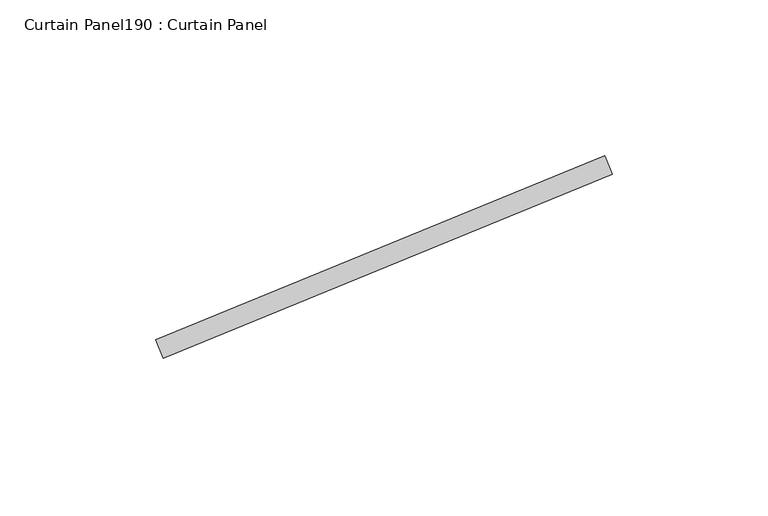
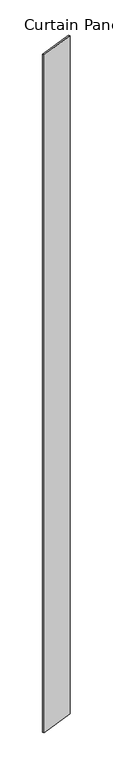
"""IFC4 building model written with IfcOpenShell, lengths in millimetres: plate geometry, Curtain Panel190 : Curtain Panel."""

from ifc_helpers import new_model, si_unit, frame, origin, place, context, project, spatial, polyline, outline, extrude, source, transform, mapped, element, save


def curtain_panel190_curtain_panel_4c48a88c(model_context):
    return source(origin(), model_context, "Body", "SweptSolid", [
        extrude(outline(polyline([(595689.5164232, 2958.2610016), (595833.6448662, 3017.4026892), (595836.0554701, 3011.5280412), (595691.9270271, 2952.3863536), (595689.5164232, 2958.2610016)])), frame((0.0, 0.0, 4959.7989371), z_axis=(0.0, 0.0, 1.0), x_axis=(1.0, 0.0, 0.0)), (0.0, 0.0, 1.0), 3048.0),
    ])


if __name__ == "__main__":
    model = new_model("IFC4")
    model_context = context("Model", 3, world=origin())
    ifc_project = project(units=[si_unit("LENGTHUNIT", "METRE", prefix="MILLI")], contexts=[model_context])
    site = spatial("IfcSite", under=ifc_project)
    building = spatial("IfcBuilding", under=site)
    placement = place(None, origin())
    curtain_panel190_curtain_panel_shape = curtain_panel190_curtain_panel_4c48a88c(model_context)
    element("IfcPlate", 1, ObjectType="Curtain Panel190 : Curtain Panel", at=placement, inside=building, context=model_context, shape_type="MappedRepresentation", body=[
        mapped(curtain_panel190_curtain_panel_shape, transform((0.0, 0.0, 0.0), x_axis=(1.0, 0.0, 0.0), y_axis=(0.0, 1.0, 0.0), z_axis=(0.0, 0.0, 1.0))),
    ])
    save(model, "model.ifc")
